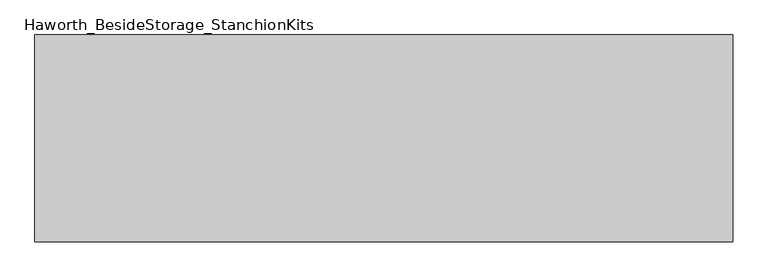
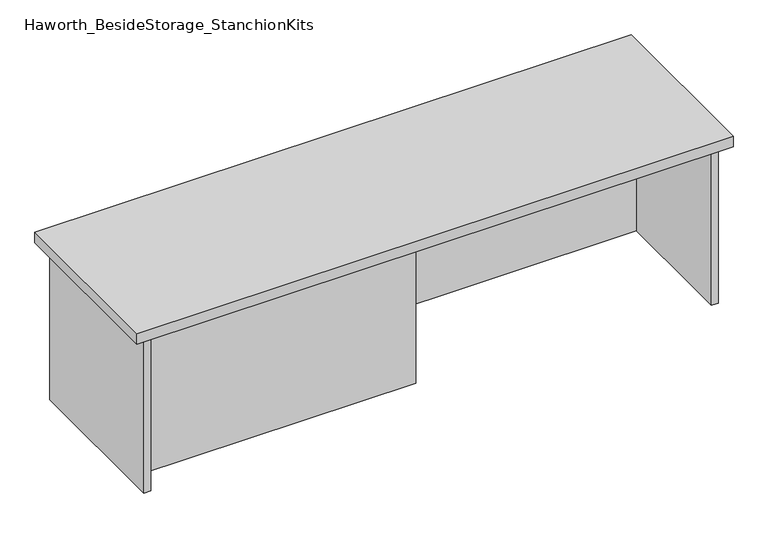
"""IFC4 building model written with IfcOpenShell, lengths in millimetres: furniture geometry, Haworth_BesideStorage_StanchionKits."""

from ifc_helpers import new_model, si_unit, frame, origin, place, context, project, spatial, polyline, outline, extrude, source, transform, mapped, element, save


def haworth_besidestorage_stanchionkits_b7474836(model_context):
    return source(origin(), model_context, "Body", "SweptSolid", [
        extrude(outline(polyline([(847.725, 0.0), (847.725, -406.4), (-523.875, -406.4), (-523.875, 0.0), (847.725, 0.0)])), frame((0.0, 0.0, 812.8), z_axis=(0.0, 0.0, 1.0), x_axis=(1.0, 0.0, 0.0)), (0.0, 0.0, 1.0), 25.4),
        extrude(outline(polyline([(161.925, -76.2), (806.45, -76.2), (806.45, -92.075), (161.925, -92.075), (161.925, -76.2)])), frame((0.0, 0.0, 431.8), z_axis=(0.0, 0.0, 1.0), x_axis=(1.0, 0.0, 0.0)), (0.0, 0.0, 1.0), 381.0),
        extrude(outline(polyline([(161.925, -314.325), (161.925, -330.2), (-482.6, -330.2), (-482.6, -314.325), (161.925, -314.325)])), frame((0.0, 0.0, 431.8), z_axis=(0.0, 0.0, 1.0), x_axis=(1.0, 0.0, 0.0)), (0.0, 0.0, 1.0), 381.0),
        extrude(outline(polyline([(822.325, -390.525), (806.45, -390.525), (806.45, -15.875), (822.325, -15.875), (822.325, -390.525)])), frame((0.0, 0.0, 431.8), z_axis=(0.0, 0.0, 1.0), x_axis=(1.0, 0.0, 0.0)), (0.0, 0.0, 1.0), 381.0),
        extrude(outline(polyline([(-482.6, -390.525), (-498.475, -390.525), (-498.475, -15.875), (-482.6, -15.875), (-482.6, -390.525)])), frame((0.0, 0.0, 431.8), z_axis=(0.0, 0.0, 1.0), x_axis=(1.0, 0.0, 0.0)), (0.0, 0.0, 1.0), 381.0),
    ])


if __name__ == "__main__":
    model = new_model("IFC4")
    model_context = context("Model", 3, world=origin())
    ifc_project = project(units=[si_unit("LENGTHUNIT", "METRE", prefix="MILLI")], contexts=[model_context])
    site = spatial("IfcSite", under=ifc_project)
    building = spatial("IfcBuilding", under=site)
    placement = place(None, origin())
    haworth_besidestorage_stanchionkits_shape = haworth_besidestorage_stanchionkits_b7474836(model_context)
    element("IfcFurniture", 1, ObjectType="Haworth_BesideStorage_StanchionKits", at=placement, inside=building, context=model_context, shape_type="MappedRepresentation", body=[
        mapped(haworth_besidestorage_stanchionkits_shape, transform((0.0, 0.0, 0.0), x_axis=(1.0, 0.0, 0.0), y_axis=(0.0, 1.0, 0.0), z_axis=(0.0, 0.0, 1.0))),
    ])
    save(model, "model.ifc")
